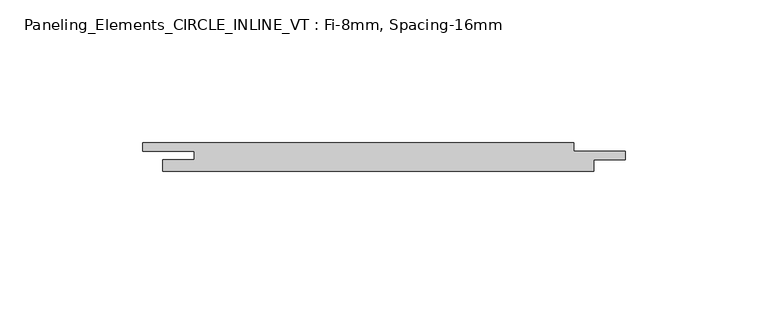
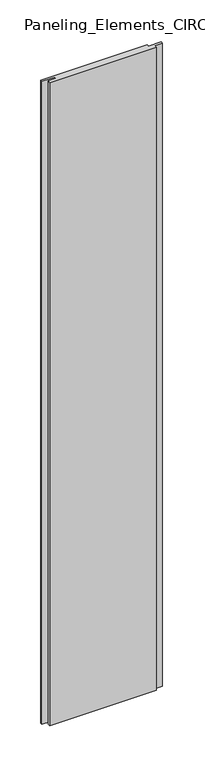
"""IFC4 building model written with IfcOpenShell, lengths in millimetres: plate geometry, Paneling_Elements_CIRCLE_INLINE_VT : Fi-8mm, Spacing-16mm."""

from ifc_helpers import new_model, si_unit, origin, origin_with_axes, place, context, project, spatial, polyline, outline, extrude, source, transform, mapped, element, save


def paneling_elements_circle_inline_vt_fi_8mm_spacing_16mm_e1abef07(model_context):
    return source(origin(), model_context, "Body", "SweptSolid", [
        extrude(outline(polyline([(68.5, 5.0), (68.5, 2.0), (86.5, 2.0), (86.5, -1.0), (75.5, -1.0), (75.5, -5.0), (-75.5, -5.0), (-75.5, -1.0), (-64.5, -1.0), (-64.5, 2.0), (-82.5, 2.0), (-82.5, 5.0), (68.5, 5.0)])), origin_with_axes(), (0.0, 0.0, 1.0), 964.5),
    ])


if __name__ == "__main__":
    model = new_model("IFC4")
    model_context = context("Model", 3, world=origin())
    ifc_project = project(units=[si_unit("LENGTHUNIT", "METRE", prefix="MILLI")], contexts=[model_context])
    site = spatial("IfcSite", under=ifc_project)
    building = spatial("IfcBuilding", under=site)
    placement = place(None, origin())
    paneling_elements_circle_inline_vt_fi_8mm_spacing_16mm_shape = paneling_elements_circle_inline_vt_fi_8mm_spacing_16mm_e1abef07(model_context)
    element("IfcPlate", 1, ObjectType="Paneling_Elements_CIRCLE_INLINE_VT : Fi-8mm, Spacing-16mm", at=placement, inside=building, context=model_context, shape_type="MappedRepresentation", body=[
        mapped(paneling_elements_circle_inline_vt_fi_8mm_spacing_16mm_shape, transform((0.0, 0.0, 0.0), x_axis=(1.0, 0.0, 0.0), y_axis=(0.0, 1.0, 0.0), z_axis=(0.0, 0.0, 1.0))),
    ])
    save(model, "model.ifc")
